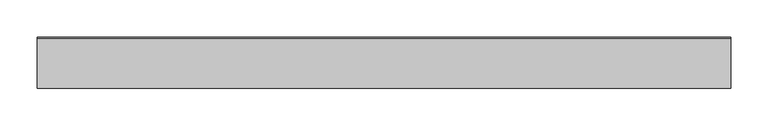
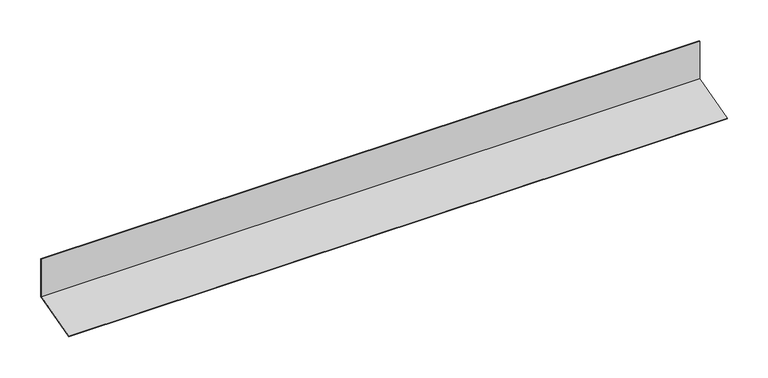
"""IFC4 building model written with IfcOpenShell, lengths in millimetres: proxy geometry."""

from ifc_helpers import new_model, si_unit, frame, origin, place, context, project, spatial, polyline, outline, extrude, source, transform, mapped, element, save


def generic_models_796d8605(model_context):
    return source(origin(), model_context, "Body", "SweptSolid", [
        extrude(outline(polyline([(-10132.2979315, 1774.4460745), (-10132.2979315, 1830.0913228), (-10131.2979315, 1830.0913228), (-10131.2979315, 1773.6787475), (-10199.553268, 1755.3897852), (-10199.812087, 1756.355711), (-10132.2979315, 1774.4460745)])), frame((-8134.6781881, 0.0, 0.0), z_axis=(1.0, 0.0, 0.0), x_axis=(0.0, 1.0, 0.0)), (0.0, 0.0, 1.0), 930.0),
    ])


if __name__ == "__main__":
    model = new_model("IFC4")
    model_context = context("Model", 3, world=origin())
    ifc_project = project(units=[si_unit("LENGTHUNIT", "METRE", prefix="MILLI")], contexts=[model_context])
    site = spatial("IfcSite", under=ifc_project)
    building = spatial("IfcBuilding", under=site)
    placement = place(None, origin())
    generic_models_shape = generic_models_796d8605(model_context)
    element("IfcBuildingElementProxy", 1, Name="Generic Models", at=placement, inside=building, context=model_context, shape_type="MappedRepresentation", body=[
        mapped(generic_models_shape, transform((0.0, 0.0, 0.0), x_axis=(1.0, 0.0, 0.0), y_axis=(0.0, 1.0, 0.0), z_axis=(0.0, 0.0, 1.0))),
    ])
    save(model, "model.ifc")
